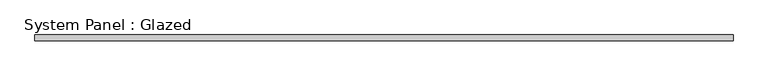
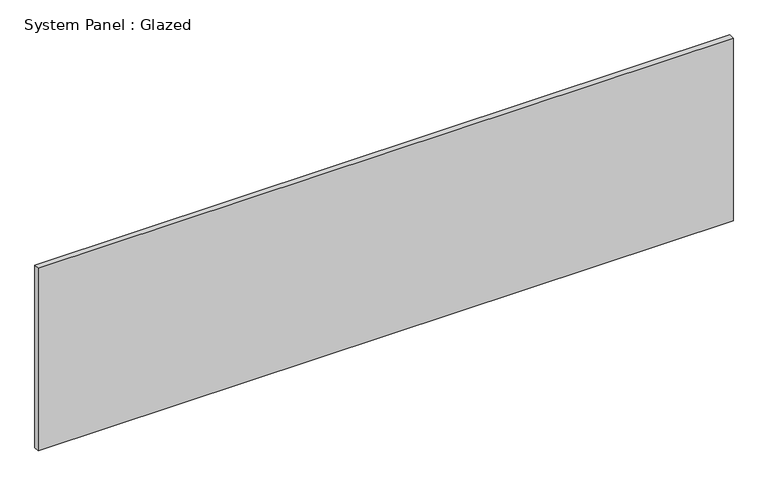
"""IFC4 building model written with IfcOpenShell, lengths in millimetres: plate geometry, System Panel : Glazed."""

from ifc_helpers import new_model, si_unit, origin, origin_with_axes, place, context, project, spatial, polyline, outline, extrude, source, transform, mapped, element, save


def system_panel_glazed_e96d4dca(model_context):
    return source(origin(), model_context, "Body", "SweptSolid", [
        extrude(outline(polyline([(1530.0788895, 24.5), (-1530.0788895, 24.5), (-1530.0788895, 49.5), (1530.0788895, 49.5), (1530.0788895, 24.5)])), origin_with_axes(), (0.0, 0.0, 1.0), 850.0),
    ])


if __name__ == "__main__":
    model = new_model("IFC4")
    model_context = context("Model", 3, world=origin())
    ifc_project = project(units=[si_unit("LENGTHUNIT", "METRE", prefix="MILLI")], contexts=[model_context])
    site = spatial("IfcSite", under=ifc_project)
    building = spatial("IfcBuilding", under=site)
    placement = place(None, origin())
    system_panel_glazed_shape = system_panel_glazed_e96d4dca(model_context)
    element("IfcPlate", 1, ObjectType="System Panel : Glazed", at=placement, inside=building, context=model_context, shape_type="MappedRepresentation", body=[
        mapped(system_panel_glazed_shape, transform((0.0, 0.0, 0.0), x_axis=(1.0, 0.0, 0.0), y_axis=(0.0, 1.0, 0.0), z_axis=(0.0, 0.0, 1.0))),
    ])
    save(model, "model.ifc")
